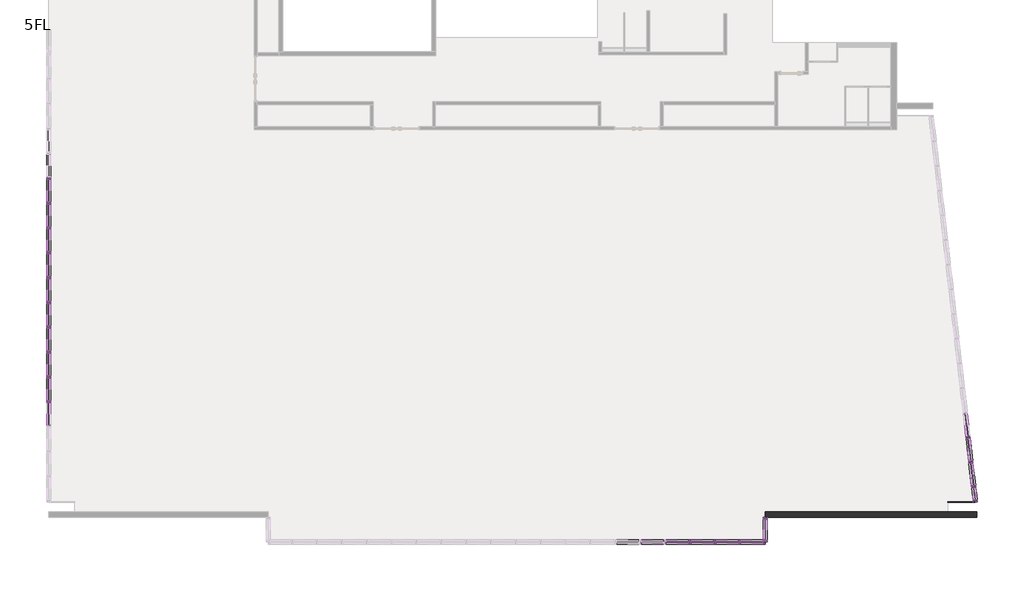
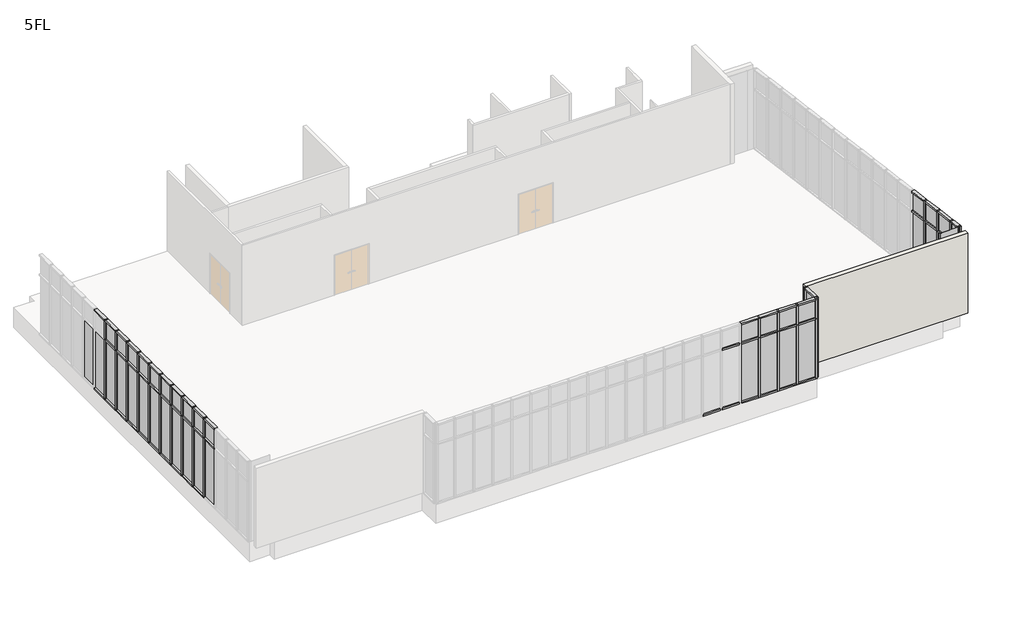
# One storey, part 2 of 4: 100 members, 42 plates, 1 wall.
"""IFC4 building model written with IfcOpenShell, lengths in millimetres."""

import ifcopenshell
import ifcopenshell.guid

model = None  # the IFC model being written
_history = None  # IfcOwnerHistory: only IFC2X3 demands one
_inside = {}  # id of a spatial element -> (the spatial element, [elements in it])
_under = {}  # id of a project, library or spatial element -> (it, [spatial elements below it])
_declared = {}  # id of a project -> (the project, [libraries it declares])
_typed = {}  # id of a type object -> (the type object, [elements of that type])
_made_of = {}  # id of a material, layer set ... -> (it, [elements and type objects made of it])


def new_model(schema):
    """Start an empty IFC model of exactly this schema.

    Asked for "IFC4X3", IfcOpenShell would pick the latest addendum, in which some entities
    have other attributes; the version numbers below select the first issue.
    IFC2X3 requires an IfcOwnerHistory on every rooted entity: one is made here for all.
    """
    global model, _history
    if schema == "IFC4X3":
        model = ifcopenshell.file(schema_version=(4, 3, 0, 0))
    else:
        model = ifcopenshell.file(schema=schema)
    _inside.clear()
    _under.clear()
    _declared.clear()
    _typed.clear()
    _made_of.clear()
    _history = None
    if model.schema == "IFC2X3":
        org = make("IfcOrganization", Name="unknown")
        user = make(
            "IfcPersonAndOrganization",
            ThePerson=make("IfcPerson", FamilyName="unknown"),
            TheOrganization=org,
        )
        app = make(
            "IfcApplication",
            ApplicationDeveloper=org,
            Version="unknown",
            ApplicationFullName="unknown",
            ApplicationIdentifier="unknown",
        )
        _history = make(
            "IfcOwnerHistory",
            OwningUser=user,
            OwningApplication=app,
            ChangeAction="ADDED",
            CreationDate=0,
        )
    return model


def make(cls, **values):
    """One entity of the class cls with the attributes given. An attribute that is None is left unset."""
    return model.create_entity(
        cls, **{name: value for name, value in values.items() if value is not None}
    )


def rooted(cls, **values):
    """An entity with a GlobalId (a new one), such as an element, a storey or a relation."""
    return make(cls, GlobalId=ifcopenshell.guid.new(), OwnerHistory=_history, **values)


def si_unit(unit_type, name, prefix=None):
    """IfcSIUnit, for example si_unit("LENGTHUNIT", "METRE", prefix="MILLI")."""
    return make("IfcSIUnit", UnitType=unit_type, Prefix=prefix, Name=name)


def assignment(units):
    """IfcUnitAssignment: the units of a project."""
    return None if units is None else make("IfcUnitAssignment", Units=units)


def point(xyz):
    """IfcCartesianPoint."""
    return None if xyz is None else make("IfcCartesianPoint", Coordinates=xyz)


def direction(xyz):
    """IfcDirection."""
    return None if xyz is None else make("IfcDirection", DirectionRatios=xyz)


def frame(location, z_axis=None, x_axis=None):
    """IfcAxis2Placement3D, a coordinate frame: its origin and axes. An axis left out is left unset."""
    return make(
        "IfcAxis2Placement3D",
        Location=point(location),
        Axis=direction(z_axis),
        RefDirection=direction(x_axis),
    )


def origin():
    """The frame at (0, 0, 0) with its axes left unset."""
    return frame((0.0, 0.0, 0.0))


def origin_with_axes():
    """The frame at (0, 0, 0) with the z axis (0, 0, 1) and the x axis (1, 0, 0) written out."""
    return frame((0.0, 0.0, 0.0), z_axis=(0.0, 0.0, 1.0), x_axis=(1.0, 0.0, 0.0))


def place(relative_to, where):
    """IfcLocalPlacement: puts the frame where relative to a parent placement (None: the world)."""
    return make(
        "IfcLocalPlacement", PlacementRelTo=relative_to, RelativePlacement=where
    )


def context(
    kind, dimensions, precision=None, world=None, true_north=None, identifier=None
):
    """IfcGeometricRepresentationContext, for example the 3D "Model" context."""
    return make(
        "IfcGeometricRepresentationContext",
        ContextIdentifier=identifier,
        ContextType=kind,
        CoordinateSpaceDimension=dimensions,
        Precision=precision,
        WorldCoordinateSystem=world,
        TrueNorth=true_north,
    )


def project(units=None, contexts=None):
    """IfcProject with its units and contexts."""
    return rooted(
        "IfcProject",
        Name="project",
        RepresentationContexts=contexts,
        UnitsInContext=assignment(units),
    )


def spatial(cls, under=None, at=None, **own):
    """A site, building, storey or space (cls), placed at a placement, below another one or the project."""
    s = rooted(cls, ObjectPlacement=at, **own)
    if under is not None:
        _under.setdefault(under.id(), (under, []))[1].append(s)
    return s


def polyline(points):
    """IfcPolyline through the points."""
    return make("IfcPolyline", Points=[point(p) for p in points])


def outline(outer, holes=None, kind="AREA"):
    """IfcArbitraryClosedProfileDef: a profile drawn as a closed curve; with holes, ...WithVoids."""
    if holes is None:
        return make("IfcArbitraryClosedProfileDef", ProfileType=kind, OuterCurve=outer)
    return make(
        "IfcArbitraryProfileDefWithVoids",
        ProfileType=kind,
        OuterCurve=outer,
        InnerCurves=holes,
    )


def extrude(swept, where, along, depth):
    """IfcExtrudedAreaSolid: the profile swept, set in the frame where, extruded along a direction by depth."""
    return make(
        "IfcExtrudedAreaSolid",
        SweptArea=swept,
        Position=where,
        ExtrudedDirection=direction(along),
        Depth=depth,
    )


def shape(context_of_items, identifier, shape_type, items):
    """IfcShapeRepresentation: the items that make up one representation, for example the "Body"."""
    return make(
        "IfcShapeRepresentation",
        ContextOfItems=context_of_items,
        RepresentationIdentifier=identifier,
        RepresentationType=shape_type,
        Items=items,
    )


def source(mapping_origin, context_of_items, identifier, shape_type, items):
    """IfcRepresentationMap: a shape defined once, which mapped items show again and again."""
    return make(
        "IfcRepresentationMap",
        MappingOrigin=mapping_origin,
        MappedRepresentation=shape(context_of_items, identifier, shape_type, items),
    )


def transform(
    local_origin,
    x_axis=None,
    y_axis=None,
    z_axis=None,
    scale=None,
    scale2=None,
    scale3=None,
    uniform=True,
):
    """IfcCartesianTransformationOperator3D, or its non-uniform kind. x_axis, y_axis, z_axis: its Axis1, 2, 3."""
    if uniform:
        return make(
            "IfcCartesianTransformationOperator3D",
            Axis1=direction(x_axis),
            Axis2=direction(y_axis),
            LocalOrigin=point(local_origin),
            Scale=scale,
            Axis3=direction(z_axis),
        )
    return make(
        "IfcCartesianTransformationOperator3DnonUniform",
        Axis1=direction(x_axis),
        Axis2=direction(y_axis),
        LocalOrigin=point(local_origin),
        Scale=scale,
        Axis3=direction(z_axis),
        Scale2=scale2,
        Scale3=scale3,
    )


def mapped(mapping_source, mapping_target):
    """IfcMappedItem: shows the shape of a source again, moved by a transform."""
    return make(
        "IfcMappedItem", MappingSource=mapping_source, MappingTarget=mapping_target
    )


def made_of(thing, what):
    """Note that an element or type object is made of a material, layer set ...; save() writes the relation."""
    if what is not None:
        _made_of.setdefault(what.id(), (what, []))[1].append(thing)
    return thing


def element(
    cls,
    number,
    at=None,
    inside=None,
    cuts=None,
    type_object=None,
    material=None,
    context=None,
    identifier="Body",
    shape_type=None,
    held_by="IfcProductDefinitionShape",
    body=None,
    shapes=None,
    **own,
):
    """One element of the class cls, such as IfcWall. Its Tag is "e" and its number.

    at: its placement. inside: the storey or other place that contains it. cuts: it is an
    opening in that element (IfcRelVoidsElement). A single representation is given by context,
    identifier, shape_type and body (its items); several are given by shapes. held_by: the class
    of the entity that holds the representations. save() writes the other relations.
    """
    e = rooted(cls, Tag="e%d" % number, ObjectPlacement=at, **own)
    if body is not None:
        shapes = [shape(context, identifier, shape_type, body)]
    if shapes is not None:
        e.Representation = make(held_by, Representations=shapes)
    if inside is not None:
        _inside.setdefault(inside.id(), (inside, []))[1].append(e)
    if cuts is not None:
        rooted(
            "IfcRelVoidsElement", RelatingBuildingElement=cuts, RelatedOpeningElement=e
        )
    if type_object is not None:
        _typed.setdefault(type_object.id(), (type_object, []))[1].append(e)
    return made_of(e, material)


def aggregate(whole, parts):
    """IfcRelAggregates: a whole, such as a stair, and the parts it consists of."""
    return rooted("IfcRelAggregates", RelatingObject=whole, RelatedObjects=parts)


def save(model, path):
    """Write the relations noted so far, then the file.

    IfcRelAggregates (storeys below a building ...), IfcRelContainedInSpatialStructure (elements
    in a storey), IfcRelDefinesByType, IfcRelAssociatesMaterial and IfcRelDeclares: one each for
    every whole, place, type object, material and project.
    """
    for whole, parts in _under.values():
        aggregate(whole, parts)
    for where, things in _inside.values():
        rooted(
            "IfcRelContainedInSpatialStructure",
            RelatedElements=things,
            RelatingStructure=where,
        )
    for kind, things in _typed.values():
        rooted("IfcRelDefinesByType", RelatedObjects=things, RelatingType=kind)
    for what, things in _made_of.values():
        rooted("IfcRelAssociatesMaterial", RelatedObjects=things, RelatingMaterial=what)
    for by, libraries in _declared.values():
        rooted("IfcRelDeclares", RelatingContext=by, RelatedDefinitions=libraries)
    model.write(path)


def member_70x150_cdd4dcf9(model_context):
    return source(origin(), model_context, "Body", "SweptSolid", [
        extrude(outline(polyline([(35.0, 75.0), (35.0, -75.0), (-35.0, -75.0), (-35.0, 75.0), (35.0, 75.0)])), frame((0.0, 0.0, -3000.0), z_axis=(0.0, 0.0, 1.0), x_axis=(1.0, 0.0, 0.0)), (0.0, 0.0, 1.0), 3000.0),
    ])


def member_70x150_9a135ce4(model_context):
    return source(origin(), model_context, "Body", "SweptSolid", [
        extrude(outline(polyline([(0.0, 75.0), (0.0, -75.0), (-70.0, -75.0), (-70.0, 75.0), (0.0, 75.0)])), frame((0.0, 0.0, -760.0), z_axis=(0.0, 0.0, 1.0), x_axis=(1.0, 0.0, 0.0)), (0.0, 0.0, 1.0), 760.0),
    ])


def member_70x150_66cf63de(model_context):
    return source(origin(), model_context, "Body", "SweptSolid", [
        extrude(outline(polyline([(0.0, 75.0), (0.0, -75.0), (-70.0, -75.0), (-70.0, 75.0), (0.0, 75.0)])), frame((0.0, 0.0, -830.0), z_axis=(0.0, 0.0, 1.0), x_axis=(1.0, 0.0, 0.0)), (0.0, 0.0, 1.0), 830.0),
    ])


def member_70x150_26475b18(model_context):
    return source(origin(), model_context, "Body", "SweptSolid", [
        extrude(outline(polyline([(35.0, 75.0), (35.0, -75.0), (-35.0, -75.0), (-35.0, 75.0), (35.0, 75.0)])), frame((0.0, 0.0, -1000.0), z_axis=(0.0, 0.0, 1.0), x_axis=(1.0, 0.0, 0.0)), (0.0, 0.0, 1.0), 1000.0),
    ])


def member_70x150_ad4265bc(model_context):
    return source(origin(), model_context, "Body", "SweptSolid", [
        extrude(outline(polyline([(35.0, 75.0), (35.0, -75.0), (-35.0, -75.0), (-35.0, 75.0), (35.0, 75.0)])), frame((0.0, 0.0, -830.0), z_axis=(0.0, 0.0, 1.0), x_axis=(1.0, 0.0, 0.0)), (0.0, 0.0, 1.0), 830.0),
    ])


def member_70x150_e0eddb57(model_context):
    return source(origin(), model_context, "Body", "SweptSolid", [
        extrude(outline(polyline([(35.0, 75.0), (35.0, -75.0), (-35.0, -75.0), (-35.0, 75.0), (35.0, 75.0)])), frame((0.0, 0.0, -760.0), z_axis=(0.0, 0.0, 1.0), x_axis=(1.0, 0.0, 0.0)), (0.0, 0.0, 1.0), 760.0),
    ])


def member_70x150_1b280ac3(model_context):
    return source(origin(), model_context, "Body", "SweptSolid", [
        extrude(outline(polyline([(0.0, 75.0), (0.0, -75.0), (-70.0, -75.0), (-70.0, 75.0), (0.0, 75.0)])), frame((0.0, 0.0, -3000.0), z_axis=(0.0, 0.0, 1.0), x_axis=(1.0, 0.0, 0.0)), (0.0, 0.0, 1.0), 3000.0),
    ])


def member_70x150_76429c73(model_context):
    return source(origin(), model_context, "Body", "SweptSolid", [
        extrude(outline(polyline([(0.0, 75.0), (0.0, -75.0), (-70.0, -75.0), (-70.0, 75.0), (0.0, 75.0)])), frame((0.0, 0.0, -1000.0), z_axis=(0.0, 0.0, 1.0), x_axis=(1.0, 0.0, 0.0)), (0.0, 0.0, 1.0), 1000.0),
    ])


def member_70x150_98b0aed0(model_context):
    return source(origin(), model_context, "Body", "SweptSolid", [
        extrude(outline(polyline([(0.0, 75.0), (0.0, -75.0), (-70.0, -75.0), (-70.0, 75.0), (0.0, 75.0)])), frame((0.0, 0.0, -451.131963), z_axis=(0.0, 0.0, 1.0), x_axis=(1.0, 0.0, 0.0)), (0.0, 0.0, 1.0), 451.131963),
    ])


def member_70x150_87b27eb4(model_context):
    return source(origin(), model_context, "Body", "SweptSolid", [
        extrude(outline(polyline([(35.0, 75.0), (35.0, -75.0), (-35.0, -75.0), (-35.0, 75.0), (35.0, 75.0)])), frame((0.0, 0.0, -451.131963), z_axis=(0.0, 0.0, 1.0), x_axis=(1.0, 0.0, 0.0)), (0.0, 0.0, 1.0), 451.131963),
    ])


def plate_d1366ea1(model_context):
    return source(origin(), model_context, "Body", "SweptSolid", [
        extrude(outline(polyline([(450.0, -5.0), (-450.0, -5.0), (-450.0, 5.0), (450.0, 5.0), (450.0, -5.0)])), origin_with_axes(), (0.0, 0.0, 1.0), 4000.0),
    ])


def plate_5a60b334(model_context):
    return source(origin(), model_context, "Body", "SweptSolid", [
        extrude(outline(polyline([(53.254713, -5.0), (-53.254713, -5.0), (-53.254713, 5.0), (53.254713, 5.0), (53.254713, -5.0)])), origin_with_axes(), (0.0, 0.0, 1.0), 4000.0),
    ])


def plate_28587fd3(model_context):
    return source(origin(), model_context, "Body", "SweptSolid", [
        extrude(outline(polyline([(415.0, -5.0), (-415.0, -5.0), (-415.0, 5.0), (415.0, 5.0), (415.0, -5.0)])), origin_with_axes(), (0.0, 0.0, 1.0), 2895.0),
    ])


def plate_4b01b467(model_context):
    return source(origin(), model_context, "Body", "SweptSolid", [
        extrude(outline(polyline([(380.0, -5.0), (-380.0, -5.0), (-380.0, 5.0), (380.0, 5.0), (380.0, -5.0)])), origin_with_axes(), (0.0, 0.0, 1.0), 2895.0),
    ])


def plate_396bcf3c(model_context):
    return source(origin(), model_context, "Body", "SweptSolid", [
        extrude(outline(polyline([(415.0, -5.0), (-415.0, -5.0), (-415.0, 5.0), (415.0, 5.0), (415.0, -5.0)])), origin_with_axes(), (0.0, 0.0, 1.0), 895.0),
    ])


def plate_83f08a3e(model_context):
    return source(origin(), model_context, "Body", "SweptSolid", [
        extrude(outline(polyline([(380.0, -5.0), (-380.0, -5.0), (-380.0, 5.0), (380.0, 5.0), (380.0, -5.0)])), origin_with_axes(), (0.0, 0.0, 1.0), 895.0),
    ])


def plate_de90d239(model_context):
    return source(origin(), model_context, "Body", "SweptSolid", [
        extrude(outline(polyline([(225.5659815, -5.0), (-225.5659815, -5.0), (-225.5659815, 5.0), (225.5659815, 5.0), (225.5659815, -5.0)])), origin_with_axes(), (0.0, 0.0, 1.0), 2895.0),
    ])


def plate_46ceffe4(model_context):
    return source(origin(), model_context, "Body", "SweptSolid", [
        extrude(outline(polyline([(225.5659815, -5.0), (-225.5659815, -5.0), (-225.5659815, 5.0), (225.5659815, 5.0), (225.5659815, -5.0)])), origin_with_axes(), (0.0, 0.0, 1.0), 895.0),
    ])


model = new_model("IFC4")

# Units and contexts
model_context = context("Model", 3, world=origin())
ifc_project = project(units=[si_unit("LENGTHUNIT", "METRE", prefix="MILLI")], contexts=[model_context])

# Site, building, storey
site = spatial("IfcSite", under=ifc_project)
building = spatial("IfcBuilding", under=site)
storey = spatial("IfcBuildingStorey", under=building, Name="5FL", Elevation=16600.0)

# Members
placement = place(None, origin())
member_70x150_shape = member_70x150_cdd4dcf9(model_context)
element("IfcMember", 1, ObjectType="70x150", at=placement, inside=storey, context=model_context, shape_type="MappedRepresentation", body=[
    mapped(member_70x150_shape, transform((-5230.9784025, -4550.3131013, 16600.0), x_axis=(-1.0, 0.0, 0.0), y_axis=(0.0, 1.0, 0.0), z_axis=(0.0, 0.0, -1.0))),
])
element("IfcMember", 2, ObjectType="70x150", at=placement, inside=storey, context=model_context, shape_type="MappedRepresentation", body=[
    mapped(member_70x150_shape, transform((-4330.9784025, -4550.3131013, 16600.0), x_axis=(-1.0, 0.0, 0.0), y_axis=(0.0, 1.0, 0.0), z_axis=(0.0, 0.0, -1.0))),
])
element("IfcMember", 3, ObjectType="70x150", at=placement, inside=storey, context=model_context, shape_type="MappedRepresentation", body=[
    mapped(member_70x150_shape, transform((-6130.9784025, -4550.3131013, 16600.0), x_axis=(-1.0, 0.0, 0.0), y_axis=(0.0, 1.0, 0.0), z_axis=(0.0, 0.0, -1.0))),
])
element("IfcMember", 4, ObjectType="70x150", at=placement, inside=storey, context=model_context, shape_type="MappedRepresentation", body=[
    mapped(member_70x150_shape, transform((4147.3841348, -2547.7778257, 16600.0), x_axis=(0.11354659116072999, -0.9935326726564045, 0.0), y_axis=(-0.9935326726564045, -0.11354659116072999, 0.0), z_axis=(0.0, 0.0, -1.0))),
])
element("IfcMember", 5, ObjectType="70x150", at=placement, inside=storey, context=model_context, shape_type="MappedRepresentation", body=[
    mapped(member_70x150_shape, transform((4045.1922027, -1653.5984203, 16600.0), x_axis=(0.11354659116072999, -0.9935326726564045, 0.0), y_axis=(-0.9935326726564045, -0.11354659116072999, 0.0), z_axis=(0.0, 0.0, -1.0))),
])
element("IfcMember", 6, ObjectType="70x150", at=placement, inside=storey, context=model_context, shape_type="MappedRepresentation", body=[
    mapped(member_70x150_shape, transform((3943.0002707, -759.4190149, 16600.0), x_axis=(0.11354659116072999, -0.9935326726564045, 0.0), y_axis=(-0.9935326726564045, -0.11354659116072999, 0.0), z_axis=(0.0, 0.0, -1.0))),
])
element("IfcMember", 7, ObjectType="70x150", at=placement, inside=storey, context=model_context, shape_type="MappedRepresentation", body=[
    mapped(member_70x150_shape, transform((-29345.9784025, 8634.6868987, 16600.0), x_axis=(0.0, 1.0, 0.0), y_axis=(1.0, 0.0, 0.0), z_axis=(0.0, 0.0, -1.0))),
])
element("IfcMember", 8, ObjectType="70x150", at=placement, inside=storey, context=model_context, shape_type="MappedRepresentation", body=[
    mapped(member_70x150_shape, transform((-29345.9784025, 7734.6868987, 16600.0), x_axis=(0.0, 1.0, 0.0), y_axis=(1.0, 0.0, 0.0), z_axis=(0.0, 0.0, -1.0))),
])
element("IfcMember", 9, ObjectType="70x150", at=placement, inside=storey, context=model_context, shape_type="MappedRepresentation", body=[
    mapped(member_70x150_shape, transform((-29345.9784025, 6834.6868987, 16600.0), x_axis=(0.0, 1.0, 0.0), y_axis=(1.0, 0.0, 0.0), z_axis=(0.0, 0.0, -1.0))),
])
element("IfcMember", 10, ObjectType="70x150", at=placement, inside=storey, context=model_context, shape_type="MappedRepresentation", body=[
    mapped(member_70x150_shape, transform((-29345.9784025, 5934.6868987, 16600.0), x_axis=(0.0, 1.0, 0.0), y_axis=(1.0, 0.0, 0.0), z_axis=(0.0, 0.0, -1.0))),
])
element("IfcMember", 11, ObjectType="70x150", at=placement, inside=storey, context=model_context, shape_type="MappedRepresentation", body=[
    mapped(member_70x150_shape, transform((-29345.9784025, 5034.6868987, 16600.0), x_axis=(0.0, 1.0, 0.0), y_axis=(1.0, 0.0, 0.0), z_axis=(0.0, 0.0, -1.0))),
])
element("IfcMember", 12, ObjectType="70x150", at=placement, inside=storey, context=model_context, shape_type="MappedRepresentation", body=[
    mapped(member_70x150_shape, transform((-29345.9784025, 4134.6868987, 16600.0), x_axis=(0.0, 1.0, 0.0), y_axis=(1.0, 0.0, 0.0), z_axis=(0.0, 0.0, -1.0))),
])
element("IfcMember", 13, ObjectType="70x150", at=placement, inside=storey, context=model_context, shape_type="MappedRepresentation", body=[
    mapped(member_70x150_shape, transform((-29345.9784025, 3234.6868987, 16600.0), x_axis=(0.0, 1.0, 0.0), y_axis=(1.0, 0.0, 0.0), z_axis=(0.0, 0.0, -1.0))),
])
element("IfcMember", 14, ObjectType="70x150", at=placement, inside=storey, context=model_context, shape_type="MappedRepresentation", body=[
    mapped(member_70x150_shape, transform((-29345.9784025, 2334.6868987, 16600.0), x_axis=(0.0, 1.0, 0.0), y_axis=(1.0, 0.0, 0.0), z_axis=(0.0, 0.0, -1.0))),
])
element("IfcMember", 15, ObjectType="70x150", at=placement, inside=storey, context=model_context, shape_type="MappedRepresentation", body=[
    mapped(member_70x150_shape, transform((-29345.9784025, 1434.6868987, 16600.0), x_axis=(0.0, 1.0, 0.0), y_axis=(1.0, 0.0, 0.0), z_axis=(0.0, 0.0, -1.0))),
])
element("IfcMember", 16, ObjectType="70x150", at=placement, inside=storey, context=model_context, shape_type="MappedRepresentation", body=[
    mapped(member_70x150_shape, transform((-29345.9784025, 534.6868987, 16600.0), x_axis=(0.0, 1.0, 0.0), y_axis=(1.0, 0.0, 0.0), z_axis=(0.0, 0.0, -1.0))),
])
member_70x150_2_shape = member_70x150_9a135ce4(model_context)
element("IfcMember", 17, ObjectType="70x150", at=placement, inside=storey, context=model_context, shape_type="MappedRepresentation", body=[
    mapped(member_70x150_2_shape, transform((-3395.9784025, -4480.3131013, 20600.0), x_axis=(0.0, 0.0, 1.0), y_axis=(-1.0, 0.0, 0.0), z_axis=(0.0, -1.0, 0.0))),
])
member_70x150_3_shape = member_70x150_66cf63de(model_context)
element("IfcMember", 18, ObjectType="70x150", at=placement, inside=storey, context=model_context, shape_type="MappedRepresentation", body=[
    mapped(member_70x150_3_shape, transform((-3465.9784025, -4550.3131013, 16600.0), x_axis=(0.0, 0.0, -1.0), y_axis=(0.0, 1.0, 0.0), z_axis=(1.0, 0.0, 0.0))),
])
element("IfcMember", 19, ObjectType="70x150", at=placement, inside=storey, context=model_context, shape_type="MappedRepresentation", body=[
    mapped(member_70x150_3_shape, transform((-7065.9784025, -4550.3131013, 16600.0), x_axis=(0.0, 0.0, -1.0), y_axis=(0.0, 1.0, 0.0), z_axis=(1.0, 0.0, 0.0))),
])
element("IfcMember", 20, ObjectType="70x150", at=placement, inside=storey, context=model_context, shape_type="MappedRepresentation", body=[
    mapped(member_70x150_3_shape, transform((-7965.9784025, -4550.3131013, 16600.0), x_axis=(0.0, 0.0, -1.0), y_axis=(0.0, 1.0, 0.0), z_axis=(1.0, 0.0, 0.0))),
])
element("IfcMember", 21, ObjectType="70x150", at=placement, inside=storey, context=model_context, shape_type="MappedRepresentation", body=[
    mapped(member_70x150_3_shape, transform((-4365.9784025, -4550.3131013, 16600.0), x_axis=(0.0, 0.0, -1.0), y_axis=(0.0, 1.0, 0.0), z_axis=(1.0, 0.0, 0.0))),
])
element("IfcMember", 22, ObjectType="70x150", at=placement, inside=storey, context=model_context, shape_type="MappedRepresentation", body=[
    mapped(member_70x150_3_shape, transform((-6165.9784025, -4550.3131013, 16600.0), x_axis=(0.0, 0.0, -1.0), y_axis=(0.0, 1.0, 0.0), z_axis=(1.0, 0.0, 0.0))),
])
element("IfcMember", 23, ObjectType="70x150", at=placement, inside=storey, context=model_context, shape_type="MappedRepresentation", body=[
    mapped(member_70x150_3_shape, transform((-5265.9784025, -4550.3131013, 16600.0), x_axis=(0.0, 0.0, -1.0), y_axis=(0.0, 1.0, 0.0), z_axis=(1.0, 0.0, 0.0))),
])
element("IfcMember", 24, ObjectType="70x150", at=placement, inside=storey, context=model_context, shape_type="MappedRepresentation", body=[
    mapped(member_70x150_3_shape, transform((4049.1663334, -1688.3720639, 16600.0), x_axis=(0.0, 0.0, -1.0), y_axis=(-0.9935326726564044, -0.11354659116073008, 0.0), z_axis=(-0.11354659116073008, 0.9935326726564044, 0.0))),
])
element("IfcMember", 25, ObjectType="70x150", at=placement, inside=storey, context=model_context, shape_type="MappedRepresentation", body=[
    mapped(member_70x150_3_shape, transform((3946.9744014, -794.1926585, 16600.0), x_axis=(0.0, 0.0, -1.0), y_axis=(-0.9935326726564044, -0.1135465911607304, 0.0), z_axis=(-0.11354659116073039, 0.9935326726564043, 0.0))),
])
element("IfcMember", 26, ObjectType="70x150", at=placement, inside=storey, context=model_context, shape_type="MappedRepresentation", body=[
    mapped(member_70x150_3_shape, transform((-29345.9784025, 8669.6868987, 16600.0), x_axis=(0.0, 0.0, -1.0), y_axis=(1.0, 0.0, 0.0), z_axis=(0.0, -1.0, 0.0))),
])
element("IfcMember", 27, ObjectType="70x150", at=placement, inside=storey, context=model_context, shape_type="MappedRepresentation", body=[
    mapped(member_70x150_3_shape, transform((-29345.9784025, 7769.6868987, 16600.0), x_axis=(0.0, 0.0, -1.0), y_axis=(1.0, 0.0, 0.0), z_axis=(0.0, -1.0, 0.0))),
])
element("IfcMember", 28, ObjectType="70x150", at=placement, inside=storey, context=model_context, shape_type="MappedRepresentation", body=[
    mapped(member_70x150_3_shape, transform((-29345.9784025, 6869.6868987, 16600.0), x_axis=(0.0, 0.0, -1.0), y_axis=(1.0, 0.0, 0.0), z_axis=(0.0, -1.0, 0.0))),
])
element("IfcMember", 29, ObjectType="70x150", at=placement, inside=storey, context=model_context, shape_type="MappedRepresentation", body=[
    mapped(member_70x150_3_shape, transform((-29345.9784025, 5969.6868987, 16600.0), x_axis=(0.0, 0.0, -1.0), y_axis=(1.0, 0.0, 0.0), z_axis=(0.0, -1.0, 0.0))),
])
element("IfcMember", 30, ObjectType="70x150", at=placement, inside=storey, context=model_context, shape_type="MappedRepresentation", body=[
    mapped(member_70x150_3_shape, transform((-29345.9784025, 5069.6868987, 16600.0), x_axis=(0.0, 0.0, -1.0), y_axis=(1.0, 0.0, 0.0), z_axis=(0.0, -1.0, 0.0))),
])
element("IfcMember", 31, ObjectType="70x150", at=placement, inside=storey, context=model_context, shape_type="MappedRepresentation", body=[
    mapped(member_70x150_3_shape, transform((-29345.9784025, 4169.6868987, 16600.0), x_axis=(0.0, 0.0, -1.0), y_axis=(1.0, 0.0, 0.0), z_axis=(0.0, -1.0, 0.0))),
])
element("IfcMember", 32, ObjectType="70x150", at=placement, inside=storey, context=model_context, shape_type="MappedRepresentation", body=[
    mapped(member_70x150_3_shape, transform((-29345.9784025, 3269.6868987, 16600.0), x_axis=(0.0, 0.0, -1.0), y_axis=(1.0, 0.0, 0.0), z_axis=(0.0, -1.0, 0.0))),
])
element("IfcMember", 33, ObjectType="70x150", at=placement, inside=storey, context=model_context, shape_type="MappedRepresentation", body=[
    mapped(member_70x150_3_shape, transform((-29345.9784025, 2369.6868987, 16600.0), x_axis=(0.0, 0.0, -1.0), y_axis=(1.0, 0.0, 0.0), z_axis=(0.0, -1.0, 0.0))),
])
element("IfcMember", 34, ObjectType="70x150", at=placement, inside=storey, context=model_context, shape_type="MappedRepresentation", body=[
    mapped(member_70x150_3_shape, transform((-29345.9784025, 1469.6868987, 16600.0), x_axis=(0.0, 0.0, -1.0), y_axis=(1.0, 0.0, 0.0), z_axis=(0.0, -1.0, 0.0))),
])
element("IfcMember", 35, ObjectType="70x150", at=placement, inside=storey, context=model_context, shape_type="MappedRepresentation", body=[
    mapped(member_70x150_3_shape, transform((-29345.9784025, 569.6868987, 16600.0), x_axis=(0.0, 0.0, -1.0), y_axis=(1.0, 0.0, 0.0), z_axis=(0.0, -1.0, 0.0))),
])
element("IfcMember", 36, ObjectType="70x150", at=placement, inside=storey, context=model_context, shape_type="MappedRepresentation", body=[
    mapped(member_70x150_3_shape, transform((-6995.9784025, -4550.3131013, 20600.0), x_axis=(0.0, 0.0, 1.0), y_axis=(0.0, 1.0, 0.0), z_axis=(-1.0, 0.0, 0.0))),
])
element("IfcMember", 37, ObjectType="70x150", at=placement, inside=storey, context=model_context, shape_type="MappedRepresentation", body=[
    mapped(member_70x150_3_shape, transform((-6095.9784025, -4550.3131013, 20600.0), x_axis=(0.0, 0.0, 1.0), y_axis=(0.0, 1.0, 0.0), z_axis=(-1.0, 0.0, 0.0))),
])
element("IfcMember", 38, ObjectType="70x150", at=placement, inside=storey, context=model_context, shape_type="MappedRepresentation", body=[
    mapped(member_70x150_3_shape, transform((-5195.9784025, -4550.3131013, 20600.0), x_axis=(0.0, 0.0, 1.0), y_axis=(0.0, 1.0, 0.0), z_axis=(-1.0, 0.0, 0.0))),
])
element("IfcMember", 39, ObjectType="70x150", at=placement, inside=storey, context=model_context, shape_type="MappedRepresentation", body=[
    mapped(member_70x150_3_shape, transform((-4295.9784025, -4550.3131013, 20600.0), x_axis=(0.0, 0.0, 1.0), y_axis=(0.0, 1.0, 0.0), z_axis=(-1.0, 0.0, 0.0))),
])
element("IfcMember", 40, ObjectType="70x150", at=placement, inside=storey, context=model_context, shape_type="MappedRepresentation", body=[
    mapped(member_70x150_3_shape, transform((4143.4100041, -2513.0041822, 20600.0), x_axis=(0.0, 0.0, 1.0), y_axis=(-0.9935326726564044, -0.11354659116073008, 0.0), z_axis=(0.11354659116073008, -0.9935326726564044, 0.0))),
])
element("IfcMember", 41, ObjectType="70x150", at=placement, inside=storey, context=model_context, shape_type="MappedRepresentation", body=[
    mapped(member_70x150_3_shape, transform((4041.2180721, -1618.8247768, 20600.0), x_axis=(0.0, 0.0, 1.0), y_axis=(-0.9935326726564044, -0.1135465911607304, 0.0), z_axis=(0.11354659116073039, -0.9935326726564043, 0.0))),
])
element("IfcMember", 42, ObjectType="70x150", at=placement, inside=storey, context=model_context, shape_type="MappedRepresentation", body=[
    mapped(member_70x150_3_shape, transform((3939.02614, -724.6453714, 20600.0), x_axis=(0.0, 0.0, 1.0), y_axis=(-0.9935326726564044, -0.11354659116072975, 0.0), z_axis=(0.11354659116072975, -0.9935326726564044, 0.0))),
])
element("IfcMember", 43, ObjectType="70x150", at=placement, inside=storey, context=model_context, shape_type="MappedRepresentation", body=[
    mapped(member_70x150_3_shape, transform((-29345.9784025, 9499.6868987, 20600.0), x_axis=(0.0, 0.0, 1.0), y_axis=(1.0, 0.0, 0.0), z_axis=(0.0, 1.0, 0.0))),
])
element("IfcMember", 44, ObjectType="70x150", at=placement, inside=storey, context=model_context, shape_type="MappedRepresentation", body=[
    mapped(member_70x150_3_shape, transform((-29345.9784025, 8599.6868987, 20600.0), x_axis=(0.0, 0.0, 1.0), y_axis=(1.0, 0.0, 0.0), z_axis=(0.0, 1.0, 0.0))),
])
element("IfcMember", 45, ObjectType="70x150", at=placement, inside=storey, context=model_context, shape_type="MappedRepresentation", body=[
    mapped(member_70x150_3_shape, transform((-29345.9784025, 7699.6868987, 20600.0), x_axis=(0.0, 0.0, 1.0), y_axis=(1.0, 0.0, 0.0), z_axis=(0.0, 1.0, 0.0))),
])
element("IfcMember", 46, ObjectType="70x150", at=placement, inside=storey, context=model_context, shape_type="MappedRepresentation", body=[
    mapped(member_70x150_3_shape, transform((-29345.9784025, 6799.6868987, 20600.0), x_axis=(0.0, 0.0, 1.0), y_axis=(1.0, 0.0, 0.0), z_axis=(0.0, 1.0, 0.0))),
])
element("IfcMember", 47, ObjectType="70x150", at=placement, inside=storey, context=model_context, shape_type="MappedRepresentation", body=[
    mapped(member_70x150_3_shape, transform((-29345.9784025, 5899.6868987, 20600.0), x_axis=(0.0, 0.0, 1.0), y_axis=(1.0, 0.0, 0.0), z_axis=(0.0, 1.0, 0.0))),
])
element("IfcMember", 48, ObjectType="70x150", at=placement, inside=storey, context=model_context, shape_type="MappedRepresentation", body=[
    mapped(member_70x150_3_shape, transform((-29345.9784025, 4999.6868987, 20600.0), x_axis=(0.0, 0.0, 1.0), y_axis=(1.0, 0.0, 0.0), z_axis=(0.0, 1.0, 0.0))),
])
element("IfcMember", 49, ObjectType="70x150", at=placement, inside=storey, context=model_context, shape_type="MappedRepresentation", body=[
    mapped(member_70x150_3_shape, transform((-29345.9784025, 4099.6868987, 20600.0), x_axis=(0.0, 0.0, 1.0), y_axis=(1.0, 0.0, 0.0), z_axis=(0.0, 1.0, 0.0))),
])
element("IfcMember", 50, ObjectType="70x150", at=placement, inside=storey, context=model_context, shape_type="MappedRepresentation", body=[
    mapped(member_70x150_3_shape, transform((-29345.9784025, 3199.6868987, 20600.0), x_axis=(0.0, 0.0, 1.0), y_axis=(1.0, 0.0, 0.0), z_axis=(0.0, 1.0, 0.0))),
])
element("IfcMember", 51, ObjectType="70x150", at=placement, inside=storey, context=model_context, shape_type="MappedRepresentation", body=[
    mapped(member_70x150_3_shape, transform((-29345.9784025, 2299.6868987, 20600.0), x_axis=(0.0, 0.0, 1.0), y_axis=(1.0, 0.0, 0.0), z_axis=(0.0, 1.0, 0.0))),
])
element("IfcMember", 52, ObjectType="70x150", at=placement, inside=storey, context=model_context, shape_type="MappedRepresentation", body=[
    mapped(member_70x150_3_shape, transform((-29345.9784025, 1399.6868987, 20600.0), x_axis=(0.0, 0.0, 1.0), y_axis=(1.0, 0.0, 0.0), z_axis=(0.0, 1.0, 0.0))),
])
element("IfcMember", 53, ObjectType="70x150", at=placement, inside=storey, context=model_context, shape_type="MappedRepresentation", body=[
    mapped(member_70x150_3_shape, transform((-29345.9784025, 499.6868987, 20600.0), x_axis=(0.0, 0.0, 1.0), y_axis=(1.0, 0.0, 0.0), z_axis=(0.0, 1.0, 0.0))),
])
element("IfcMember", 54, ObjectType="70x150", at=placement, inside=storey, context=model_context, shape_type="MappedRepresentation", body=[
    mapped(member_70x150_2_shape, transform((-3395.9784025, -3720.3131013, 16600.0), x_axis=(0.0, 0.0, -1.0), y_axis=(-1.0, 0.0, 0.0), z_axis=(0.0, 1.0, 0.0))),
])
member_70x150_4_shape = member_70x150_26475b18(model_context)
element("IfcMember", 55, ObjectType="70x150", at=placement, inside=storey, context=model_context, shape_type="MappedRepresentation", body=[
    mapped(member_70x150_4_shape, transform((-6130.9784025, -4550.3131013, 19600.0), x_axis=(-1.0, 0.0, 0.0), y_axis=(0.0, 1.0, 0.0), z_axis=(0.0, 0.0, -1.0))),
])
element("IfcMember", 56, ObjectType="70x150", at=placement, inside=storey, context=model_context, shape_type="MappedRepresentation", body=[
    mapped(member_70x150_4_shape, transform((-5230.9784025, -4550.3131013, 19600.0), x_axis=(-1.0, 0.0, 0.0), y_axis=(0.0, 1.0, 0.0), z_axis=(0.0, 0.0, -1.0))),
])
element("IfcMember", 57, ObjectType="70x150", at=placement, inside=storey, context=model_context, shape_type="MappedRepresentation", body=[
    mapped(member_70x150_4_shape, transform((-4330.9784025, -4550.3131013, 19600.0), x_axis=(-1.0, 0.0, 0.0), y_axis=(0.0, 1.0, 0.0), z_axis=(0.0, 0.0, -1.0))),
])
element("IfcMember", 58, ObjectType="70x150", at=placement, inside=storey, context=model_context, shape_type="MappedRepresentation", body=[
    mapped(member_70x150_4_shape, transform((3943.0002707, -759.4190149, 19600.0), x_axis=(0.11354659116072999, -0.9935326726564045, 0.0), y_axis=(-0.9935326726564045, -0.11354659116072999, 0.0), z_axis=(0.0, 0.0, -1.0))),
])
element("IfcMember", 59, ObjectType="70x150", at=placement, inside=storey, context=model_context, shape_type="MappedRepresentation", body=[
    mapped(member_70x150_4_shape, transform((4045.1922027, -1653.5984203, 19600.0), x_axis=(0.11354659116072999, -0.9935326726564045, 0.0), y_axis=(-0.9935326726564045, -0.11354659116072999, 0.0), z_axis=(0.0, 0.0, -1.0))),
])
element("IfcMember", 60, ObjectType="70x150", at=placement, inside=storey, context=model_context, shape_type="MappedRepresentation", body=[
    mapped(member_70x150_4_shape, transform((4147.3841348, -2547.7778257, 19600.0), x_axis=(0.11354659116072999, -0.9935326726564045, 0.0), y_axis=(-0.9935326726564045, -0.11354659116072999, 0.0), z_axis=(0.0, 0.0, -1.0))),
])
element("IfcMember", 61, ObjectType="70x150", at=placement, inside=storey, context=model_context, shape_type="MappedRepresentation", body=[
    mapped(member_70x150_4_shape, transform((-29345.9784025, 8634.6868987, 19600.0), x_axis=(0.0, 1.0, 0.0), y_axis=(1.0, 0.0, 0.0), z_axis=(0.0, 0.0, -1.0))),
])
element("IfcMember", 62, ObjectType="70x150", at=placement, inside=storey, context=model_context, shape_type="MappedRepresentation", body=[
    mapped(member_70x150_4_shape, transform((-29345.9784025, 7734.6868987, 19600.0), x_axis=(0.0, 1.0, 0.0), y_axis=(1.0, 0.0, 0.0), z_axis=(0.0, 0.0, -1.0))),
])
element("IfcMember", 63, ObjectType="70x150", at=placement, inside=storey, context=model_context, shape_type="MappedRepresentation", body=[
    mapped(member_70x150_4_shape, transform((-29345.9784025, 6834.6868987, 19600.0), x_axis=(0.0, 1.0, 0.0), y_axis=(1.0, 0.0, 0.0), z_axis=(0.0, 0.0, -1.0))),
])
element("IfcMember", 64, ObjectType="70x150", at=placement, inside=storey, context=model_context, shape_type="MappedRepresentation", body=[
    mapped(member_70x150_4_shape, transform((-29345.9784025, 5934.6868987, 19600.0), x_axis=(0.0, 1.0, 0.0), y_axis=(1.0, 0.0, 0.0), z_axis=(0.0, 0.0, -1.0))),
])
element("IfcMember", 65, ObjectType="70x150", at=placement, inside=storey, context=model_context, shape_type="MappedRepresentation", body=[
    mapped(member_70x150_4_shape, transform((-29345.9784025, 5034.6868987, 19600.0), x_axis=(0.0, 1.0, 0.0), y_axis=(1.0, 0.0, 0.0), z_axis=(0.0, 0.0, -1.0))),
])
element("IfcMember", 66, ObjectType="70x150", at=placement, inside=storey, context=model_context, shape_type="MappedRepresentation", body=[
    mapped(member_70x150_4_shape, transform((-29345.9784025, 4134.6868987, 19600.0), x_axis=(0.0, 1.0, 0.0), y_axis=(1.0, 0.0, 0.0), z_axis=(0.0, 0.0, -1.0))),
])
element("IfcMember", 67, ObjectType="70x150", at=placement, inside=storey, context=model_context, shape_type="MappedRepresentation", body=[
    mapped(member_70x150_4_shape, transform((-29345.9784025, 3234.6868987, 19600.0), x_axis=(0.0, 1.0, 0.0), y_axis=(1.0, 0.0, 0.0), z_axis=(0.0, 0.0, -1.0))),
])
element("IfcMember", 68, ObjectType="70x150", at=placement, inside=storey, context=model_context, shape_type="MappedRepresentation", body=[
    mapped(member_70x150_4_shape, transform((-29345.9784025, 2334.6868987, 19600.0), x_axis=(0.0, 1.0, 0.0), y_axis=(1.0, 0.0, 0.0), z_axis=(0.0, 0.0, -1.0))),
])
element("IfcMember", 69, ObjectType="70x150", at=placement, inside=storey, context=model_context, shape_type="MappedRepresentation", body=[
    mapped(member_70x150_4_shape, transform((-29345.9784025, 1434.6868987, 19600.0), x_axis=(0.0, 1.0, 0.0), y_axis=(1.0, 0.0, 0.0), z_axis=(0.0, 0.0, -1.0))),
])
element("IfcMember", 70, ObjectType="70x150", at=placement, inside=storey, context=model_context, shape_type="MappedRepresentation", body=[
    mapped(member_70x150_4_shape, transform((-29345.9784025, 534.6868987, 19600.0), x_axis=(0.0, 1.0, 0.0), y_axis=(1.0, 0.0, 0.0), z_axis=(0.0, 0.0, -1.0))),
])
member_70x150_5_shape = member_70x150_ad4265bc(model_context)
element("IfcMember", 71, ObjectType="70x150", at=placement, inside=storey, context=model_context, shape_type="MappedRepresentation", body=[
    mapped(member_70x150_5_shape, transform((-5195.9784025, -4550.3131013, 19600.0), x_axis=(0.0, 0.0, 1.0), y_axis=(0.0, 1.0, 0.0), z_axis=(-1.0, 0.0, 0.0))),
])
element("IfcMember", 72, ObjectType="70x150", at=placement, inside=storey, context=model_context, shape_type="MappedRepresentation", body=[
    mapped(member_70x150_5_shape, transform((-6995.9784025, -4550.3131013, 19600.0), x_axis=(0.0, 0.0, 1.0), y_axis=(0.0, 1.0, 0.0), z_axis=(-1.0, 0.0, 0.0))),
])
element("IfcMember", 73, ObjectType="70x150", at=placement, inside=storey, context=model_context, shape_type="MappedRepresentation", body=[
    mapped(member_70x150_5_shape, transform((-7895.9784025, -4550.3131013, 19600.0), x_axis=(0.0, 0.0, 1.0), y_axis=(0.0, 1.0, 0.0), z_axis=(-1.0, 0.0, 0.0))),
])
element("IfcMember", 74, ObjectType="70x150", at=placement, inside=storey, context=model_context, shape_type="MappedRepresentation", body=[
    mapped(member_70x150_5_shape, transform((-6095.9784025, -4550.3131013, 19600.0), x_axis=(0.0, 0.0, 1.0), y_axis=(0.0, 1.0, 0.0), z_axis=(-1.0, 0.0, 0.0))),
])
element("IfcMember", 75, ObjectType="70x150", at=placement, inside=storey, context=model_context, shape_type="MappedRepresentation", body=[
    mapped(member_70x150_5_shape, transform((-4295.9784025, -4550.3131013, 19600.0), x_axis=(0.0, 0.0, 1.0), y_axis=(0.0, 1.0, 0.0), z_axis=(-1.0, 0.0, 0.0))),
])
element("IfcMember", 76, ObjectType="70x150", at=placement, inside=storey, context=model_context, shape_type="MappedRepresentation", body=[
    mapped(member_70x150_5_shape, transform((4143.4100041, -2513.0041822, 19600.0), x_axis=(0.0, 0.0, 1.0), y_axis=(-0.9935326726564044, -0.11354659116073008, 0.0), z_axis=(0.11354659116073008, -0.9935326726564044, 0.0))),
])
element("IfcMember", 77, ObjectType="70x150", at=placement, inside=storey, context=model_context, shape_type="MappedRepresentation", body=[
    mapped(member_70x150_5_shape, transform((4041.2180721, -1618.8247768, 19600.0), x_axis=(0.0, 0.0, 1.0), y_axis=(-0.9935326726564044, -0.1135465911607304, 0.0), z_axis=(0.11354659116073039, -0.9935326726564043, 0.0))),
])
element("IfcMember", 78, ObjectType="70x150", at=placement, inside=storey, context=model_context, shape_type="MappedRepresentation", body=[
    mapped(member_70x150_5_shape, transform((3939.02614, -724.6453714, 19600.0), x_axis=(0.0, 0.0, 1.0), y_axis=(-0.9935326726564044, -0.11354659116072975, 0.0), z_axis=(0.11354659116072975, -0.9935326726564044, 0.0))),
])
element("IfcMember", 79, ObjectType="70x150", at=placement, inside=storey, context=model_context, shape_type="MappedRepresentation", body=[
    mapped(member_70x150_5_shape, transform((-29345.9784025, 2299.6868987, 19600.0), x_axis=(0.0, 0.0, 1.0), y_axis=(1.0, 0.0, 0.0), z_axis=(0.0, 1.0, 0.0))),
])
element("IfcMember", 80, ObjectType="70x150", at=placement, inside=storey, context=model_context, shape_type="MappedRepresentation", body=[
    mapped(member_70x150_5_shape, transform((-29345.9784025, 499.6868987, 19600.0), x_axis=(0.0, 0.0, 1.0), y_axis=(1.0, 0.0, 0.0), z_axis=(0.0, 1.0, 0.0))),
])
element("IfcMember", 81, ObjectType="70x150", at=placement, inside=storey, context=model_context, shape_type="MappedRepresentation", body=[
    mapped(member_70x150_5_shape, transform((-29345.9784025, 3199.6868987, 19600.0), x_axis=(0.0, 0.0, 1.0), y_axis=(1.0, 0.0, 0.0), z_axis=(0.0, 1.0, 0.0))),
])
element("IfcMember", 82, ObjectType="70x150", at=placement, inside=storey, context=model_context, shape_type="MappedRepresentation", body=[
    mapped(member_70x150_5_shape, transform((-29345.9784025, 5899.6868987, 19600.0), x_axis=(0.0, 0.0, 1.0), y_axis=(1.0, 0.0, 0.0), z_axis=(0.0, 1.0, 0.0))),
])
element("IfcMember", 83, ObjectType="70x150", at=placement, inside=storey, context=model_context, shape_type="MappedRepresentation", body=[
    mapped(member_70x150_5_shape, transform((-29345.9784025, 7699.6868987, 19600.0), x_axis=(0.0, 0.0, 1.0), y_axis=(1.0, 0.0, 0.0), z_axis=(0.0, 1.0, 0.0))),
])
element("IfcMember", 84, ObjectType="70x150", at=placement, inside=storey, context=model_context, shape_type="MappedRepresentation", body=[
    mapped(member_70x150_5_shape, transform((-29345.9784025, 4099.6868987, 19600.0), x_axis=(0.0, 0.0, 1.0), y_axis=(1.0, 0.0, 0.0), z_axis=(0.0, 1.0, 0.0))),
])
element("IfcMember", 85, ObjectType="70x150", at=placement, inside=storey, context=model_context, shape_type="MappedRepresentation", body=[
    mapped(member_70x150_5_shape, transform((-29345.9784025, 1399.6868987, 19600.0), x_axis=(0.0, 0.0, 1.0), y_axis=(1.0, 0.0, 0.0), z_axis=(0.0, 1.0, 0.0))),
])
element("IfcMember", 86, ObjectType="70x150", at=placement, inside=storey, context=model_context, shape_type="MappedRepresentation", body=[
    mapped(member_70x150_5_shape, transform((-29345.9784025, 8599.6868987, 19600.0), x_axis=(0.0, 0.0, 1.0), y_axis=(1.0, 0.0, 0.0), z_axis=(0.0, 1.0, 0.0))),
])
element("IfcMember", 87, ObjectType="70x150", at=placement, inside=storey, context=model_context, shape_type="MappedRepresentation", body=[
    mapped(member_70x150_5_shape, transform((-29345.9784025, 4999.6868987, 19600.0), x_axis=(0.0, 0.0, 1.0), y_axis=(1.0, 0.0, 0.0), z_axis=(0.0, 1.0, 0.0))),
])
element("IfcMember", 88, ObjectType="70x150", at=placement, inside=storey, context=model_context, shape_type="MappedRepresentation", body=[
    mapped(member_70x150_5_shape, transform((-29345.9784025, 6799.6868987, 19600.0), x_axis=(0.0, 0.0, 1.0), y_axis=(1.0, 0.0, 0.0), z_axis=(0.0, 1.0, 0.0))),
])
member_70x150_6_shape = member_70x150_e0eddb57(model_context)
element("IfcMember", 89, ObjectType="70x150", at=placement, inside=storey, context=model_context, shape_type="MappedRepresentation", body=[
    mapped(member_70x150_6_shape, transform((-3395.9784025, -4480.3131013, 19600.0), x_axis=(0.0, 0.0, 1.0), y_axis=(-1.0, 0.0, 0.0), z_axis=(0.0, -1.0, 0.0))),
])
member_70x150_7_shape = member_70x150_1b280ac3(model_context)
element("IfcMember", 90, ObjectType="70x150", at=placement, inside=storey, context=model_context, shape_type="MappedRepresentation", body=[
    mapped(member_70x150_7_shape, transform((4210.5310234, -3100.3131013, 16600.0), x_axis=(0.11354659116072999, -0.9935326726564045, 0.0), y_axis=(-0.9935326726564045, -0.11354659116072999, 0.0), z_axis=(0.0, 0.0, -1.0))),
])
element("IfcMember", 91, ObjectType="70x150", at=placement, inside=storey, context=model_context, shape_type="MappedRepresentation", body=[
    mapped(member_70x150_7_shape, transform((-3395.9784025, -4550.3131013, 16600.0), x_axis=(0.0, -1.0, 0.0), y_axis=(-1.0, 0.0, 0.0), z_axis=(0.0, 0.0, -1.0))),
])
member_70x150_8_shape = member_70x150_76429c73(model_context)
element("IfcMember", 92, ObjectType="70x150", at=placement, inside=storey, context=model_context, shape_type="MappedRepresentation", body=[
    mapped(member_70x150_8_shape, transform((-3395.9784025, -4550.3131013, 20600.0), x_axis=(1.0, 0.0, 0.0), y_axis=(0.0, 1.0, 0.0), z_axis=(0.0, 0.0, 1.0))),
])
element("IfcMember", 93, ObjectType="70x150", at=placement, inside=storey, context=model_context, shape_type="MappedRepresentation", body=[
    mapped(member_70x150_8_shape, transform((-3395.9784025, -3650.3131013, 20600.0), x_axis=(0.0, 1.0, 0.0), y_axis=(-1.0, 0.0, 0.0), z_axis=(0.0, 0.0, 1.0))),
])
element("IfcMember", 94, ObjectType="70x150", at=placement, inside=storey, context=model_context, shape_type="MappedRepresentation", body=[
    mapped(member_70x150_8_shape, transform((4210.5310234, -3100.3131013, 19600.0), x_axis=(0.11354659116072999, -0.9935326726564045, 0.0), y_axis=(-0.9935326726564045, -0.11354659116072999, 0.0), z_axis=(0.0, 0.0, -1.0))),
])
element("IfcMember", 95, ObjectType="70x150", at=placement, inside=storey, context=model_context, shape_type="MappedRepresentation", body=[
    mapped(member_70x150_8_shape, transform((-3395.9784025, -4550.3131013, 19600.0), x_axis=(0.0, -1.0, 0.0), y_axis=(-1.0, 0.0, 0.0), z_axis=(0.0, 0.0, -1.0))),
])
element("IfcMember", 96, ObjectType="70x150", at=placement, inside=storey, context=model_context, shape_type="MappedRepresentation", body=[
    mapped(member_70x150_7_shape, transform((-3395.9784025, -4550.3131013, 19600.0), x_axis=(1.0, 0.0, 0.0), y_axis=(0.0, 1.0, 0.0), z_axis=(0.0, 0.0, 1.0))),
])
element("IfcMember", 97, ObjectType="70x150", at=placement, inside=storey, context=model_context, shape_type="MappedRepresentation", body=[
    mapped(member_70x150_7_shape, transform((-3395.9784025, -3650.3131013, 19600.0), x_axis=(0.0, 1.0, 0.0), y_axis=(-1.0, 0.0, 0.0), z_axis=(0.0, 0.0, 1.0))),
])
member_70x150_9_shape = member_70x150_98b0aed0(model_context)
element("IfcMember", 98, ObjectType="70x150", at=placement, inside=storey, context=model_context, shape_type="MappedRepresentation", body=[
    mapped(member_70x150_9_shape, transform((4202.582762, -3030.7658142, 20600.0), x_axis=(0.0, 0.0, 1.0), y_axis=(-0.9935326726564045, -0.11354659116072856, 0.0), z_axis=(0.11354659116072856, -0.9935326726564045, 0.0))),
])
element("IfcMember", 99, ObjectType="70x150", at=placement, inside=storey, context=model_context, shape_type="MappedRepresentation", body=[
    mapped(member_70x150_9_shape, transform((4151.3582655, -2582.5514692, 16600.0), x_axis=(0.0, 0.0, -1.0), y_axis=(-0.9935326726564045, -0.11354659116072856, 0.0), z_axis=(-0.11354659116072856, 0.9935326726564045, 0.0))),
])
member_70x150_10_shape = member_70x150_87b27eb4(model_context)
element("IfcMember", 100, ObjectType="70x150", at=placement, inside=storey, context=model_context, shape_type="MappedRepresentation", body=[
    mapped(member_70x150_10_shape, transform((4202.582762, -3030.7658142, 19600.0), x_axis=(0.0, 0.0, 1.0), y_axis=(-0.9935326726564045, -0.11354659116072856, 0.0), z_axis=(0.11354659116072856, -0.9935326726564045, 0.0))),
])

# Plates
plate_shape = plate_d1366ea1(model_context)
element("IfcPlate", 101, at=placement, inside=storey, context=model_context, shape_type="MappedRepresentation", body=[
    mapped(plate_shape, transform((3760.5310234, -3100.3131013, 16600.0), x_axis=(-1.0, 0.0, 0.0), y_axis=(0.0, -1.0, 0.0), z_axis=(0.0, 0.0, 1.0))),
])
plate_2_shape = plate_5a60b334(model_context)
element("IfcPlate", 102, at=placement, inside=storey, context=model_context, shape_type="MappedRepresentation", body=[
    mapped(plate_2_shape, transform((3257.2763105, -3100.3131013, 16600.0), x_axis=(-1.0, 0.0, 0.0), y_axis=(0.0, -1.0, 0.0), z_axis=(0.0, 0.0, 1.0))),
])
plate_3_shape = plate_28587fd3(model_context)
element("IfcPlate", 103, at=placement, inside=storey, context=model_context, shape_type="MappedRepresentation", body=[
    mapped(plate_3_shape, transform((3891.9043047, -312.3293122, 16670.0), x_axis=(0.11354659116072999, -0.9935326726564045, 0.0), y_axis=(0.9935326726564045, 0.11354659116072999, 0.0), z_axis=(0.0, 0.0, 1.0))),
])
element("IfcPlate", 104, at=placement, inside=storey, context=model_context, shape_type="MappedRepresentation", body=[
    mapped(plate_3_shape, transform((3994.0962367, -1206.5087176, 16670.0), x_axis=(0.11354659116072999, -0.9935326726564045, 0.0), y_axis=(0.9935326726564045, 0.11354659116072999, 0.0), z_axis=(0.0, 0.0, 1.0))),
])
element("IfcPlate", 105, at=placement, inside=storey, context=model_context, shape_type="MappedRepresentation", body=[
    mapped(plate_3_shape, transform((4096.2881688, -2100.688123, 16670.0), x_axis=(0.11354659116072999, -0.9935326726564045, 0.0), y_axis=(0.9935326726564045, 0.11354659116072999, 0.0), z_axis=(0.0, 0.0, 1.0))),
])
element("IfcPlate", 106, at=placement, inside=storey, context=model_context, shape_type="MappedRepresentation", body=[
    mapped(plate_3_shape, transform((-29345.9784025, 84.6868987, 16670.0), x_axis=(0.0, 1.0, 0.0), y_axis=(-1.0, 0.0, 0.0), z_axis=(0.0, 0.0, 1.0))),
])
element("IfcPlate", 107, at=placement, inside=storey, context=model_context, shape_type="MappedRepresentation", body=[
    mapped(plate_3_shape, transform((-29345.9784025, 984.6868987, 16670.0), x_axis=(0.0, 1.0, 0.0), y_axis=(-1.0, 0.0, 0.0), z_axis=(0.0, 0.0, 1.0))),
])
element("IfcPlate", 108, at=placement, inside=storey, context=model_context, shape_type="MappedRepresentation", body=[
    mapped(plate_3_shape, transform((-29345.9784025, 1884.6868987, 16670.0), x_axis=(0.0, 1.0, 0.0), y_axis=(-1.0, 0.0, 0.0), z_axis=(0.0, 0.0, 1.0))),
])
element("IfcPlate", 109, at=placement, inside=storey, context=model_context, shape_type="MappedRepresentation", body=[
    mapped(plate_3_shape, transform((-29345.9784025, 2784.6868987, 16670.0), x_axis=(0.0, 1.0, 0.0), y_axis=(-1.0, 0.0, 0.0), z_axis=(0.0, 0.0, 1.0))),
])
element("IfcPlate", 110, at=placement, inside=storey, context=model_context, shape_type="MappedRepresentation", body=[
    mapped(plate_3_shape, transform((-29345.9784025, 3684.6868987, 16670.0), x_axis=(0.0, 1.0, 0.0), y_axis=(-1.0, 0.0, 0.0), z_axis=(0.0, 0.0, 1.0))),
])
element("IfcPlate", 111, at=placement, inside=storey, context=model_context, shape_type="MappedRepresentation", body=[
    mapped(plate_3_shape, transform((-29345.9784025, 4584.6868987, 16670.0), x_axis=(0.0, 1.0, 0.0), y_axis=(-1.0, 0.0, 0.0), z_axis=(0.0, 0.0, 1.0))),
])
element("IfcPlate", 112, at=placement, inside=storey, context=model_context, shape_type="MappedRepresentation", body=[
    mapped(plate_3_shape, transform((-29345.9784025, 5484.6868987, 16670.0), x_axis=(0.0, 1.0, 0.0), y_axis=(-1.0, 0.0, 0.0), z_axis=(0.0, 0.0, 1.0))),
])
element("IfcPlate", 113, at=placement, inside=storey, context=model_context, shape_type="MappedRepresentation", body=[
    mapped(plate_3_shape, transform((-29345.9784025, 6384.6868987, 16670.0), x_axis=(0.0, 1.0, 0.0), y_axis=(-1.0, 0.0, 0.0), z_axis=(0.0, 0.0, 1.0))),
])
element("IfcPlate", 114, at=placement, inside=storey, context=model_context, shape_type="MappedRepresentation", body=[
    mapped(plate_3_shape, transform((-29345.9784025, 7284.6868987, 16670.0), x_axis=(0.0, 1.0, 0.0), y_axis=(-1.0, 0.0, 0.0), z_axis=(0.0, 0.0, 1.0))),
])
element("IfcPlate", 115, at=placement, inside=storey, context=model_context, shape_type="MappedRepresentation", body=[
    mapped(plate_3_shape, transform((-29345.9784025, 8184.6868987, 16670.0), x_axis=(0.0, 1.0, 0.0), y_axis=(-1.0, 0.0, 0.0), z_axis=(0.0, 0.0, 1.0))),
])
element("IfcPlate", 116, at=placement, inside=storey, context=model_context, shape_type="MappedRepresentation", body=[
    mapped(plate_3_shape, transform((-29345.9784025, 9084.6868987, 16670.0), x_axis=(0.0, 1.0, 0.0), y_axis=(-1.0, 0.0, 0.0), z_axis=(0.0, 0.0, 1.0))),
])
element("IfcPlate", 117, at=placement, inside=storey, context=model_context, shape_type="MappedRepresentation", body=[
    mapped(plate_3_shape, transform((-29345.9784025, 9984.6868987, 16670.0), x_axis=(0.0, 1.0, 0.0), y_axis=(-1.0, 0.0, 0.0), z_axis=(0.0, 0.0, 1.0))),
])
element("IfcPlate", 118, at=placement, inside=storey, context=model_context, shape_type="MappedRepresentation", body=[
    mapped(plate_3_shape, transform((-3880.9784025, -4550.3131013, 16670.0), x_axis=(-1.0, 0.0, 0.0), y_axis=(0.0, -1.0, 0.0), z_axis=(0.0, 0.0, 1.0))),
])
element("IfcPlate", 119, at=placement, inside=storey, context=model_context, shape_type="MappedRepresentation", body=[
    mapped(plate_3_shape, transform((-4780.9784025, -4550.3131013, 16670.0), x_axis=(-1.0, 0.0, 0.0), y_axis=(0.0, -1.0, 0.0), z_axis=(0.0, 0.0, 1.0))),
])
element("IfcPlate", 120, at=placement, inside=storey, context=model_context, shape_type="MappedRepresentation", body=[
    mapped(plate_3_shape, transform((-5680.9784025, -4550.3131013, 16670.0), x_axis=(-1.0, 0.0, 0.0), y_axis=(0.0, -1.0, 0.0), z_axis=(0.0, 0.0, 1.0))),
])
element("IfcPlate", 121, at=placement, inside=storey, context=model_context, shape_type="MappedRepresentation", body=[
    mapped(plate_3_shape, transform((-6580.9784025, -4550.3131013, 16670.0), x_axis=(-1.0, 0.0, 0.0), y_axis=(0.0, -1.0, 0.0), z_axis=(0.0, 0.0, 1.0))),
])
plate_4_shape = plate_4b01b467(model_context)
element("IfcPlate", 122, at=placement, inside=storey, context=model_context, shape_type="MappedRepresentation", body=[
    mapped(plate_4_shape, transform((-3395.9784025, -4100.3131013, 16670.0), x_axis=(0.0, -1.0, 0.0), y_axis=(1.0, 0.0, 0.0), z_axis=(0.0, 0.0, 1.0))),
])
plate_5_shape = plate_396bcf3c(model_context)
element("IfcPlate", 123, at=placement, inside=storey, context=model_context, shape_type="MappedRepresentation", body=[
    mapped(plate_5_shape, transform((-3880.9784025, -4550.3131013, 19635.0), x_axis=(-1.0, 0.0, 0.0), y_axis=(0.0, -1.0, 0.0), z_axis=(0.0, 0.0, 1.0))),
])
element("IfcPlate", 124, at=placement, inside=storey, context=model_context, shape_type="MappedRepresentation", body=[
    mapped(plate_5_shape, transform((-4780.9784025, -4550.3131013, 19635.0), x_axis=(-1.0, 0.0, 0.0), y_axis=(0.0, -1.0, 0.0), z_axis=(0.0, 0.0, 1.0))),
])
element("IfcPlate", 125, at=placement, inside=storey, context=model_context, shape_type="MappedRepresentation", body=[
    mapped(plate_5_shape, transform((-5680.9784025, -4550.3131013, 19635.0), x_axis=(-1.0, 0.0, 0.0), y_axis=(0.0, -1.0, 0.0), z_axis=(0.0, 0.0, 1.0))),
])
element("IfcPlate", 126, at=placement, inside=storey, context=model_context, shape_type="MappedRepresentation", body=[
    mapped(plate_5_shape, transform((-6580.9784025, -4550.3131013, 19635.0), x_axis=(-1.0, 0.0, 0.0), y_axis=(0.0, -1.0, 0.0), z_axis=(0.0, 0.0, 1.0))),
])
element("IfcPlate", 127, at=placement, inside=storey, context=model_context, shape_type="MappedRepresentation", body=[
    mapped(plate_5_shape, transform((3891.9043047, -312.3293122, 19635.0), x_axis=(0.11354659116072999, -0.9935326726564045, 0.0), y_axis=(0.9935326726564045, 0.11354659116072999, 0.0), z_axis=(0.0, 0.0, 1.0))),
])
element("IfcPlate", 128, at=placement, inside=storey, context=model_context, shape_type="MappedRepresentation", body=[
    mapped(plate_5_shape, transform((3994.0962367, -1206.5087176, 19635.0), x_axis=(0.11354659116072999, -0.9935326726564045, 0.0), y_axis=(0.9935326726564045, 0.11354659116072999, 0.0), z_axis=(0.0, 0.0, 1.0))),
])
element("IfcPlate", 129, at=placement, inside=storey, context=model_context, shape_type="MappedRepresentation", body=[
    mapped(plate_5_shape, transform((4096.2881688, -2100.688123, 19635.0), x_axis=(0.11354659116072999, -0.9935326726564045, 0.0), y_axis=(0.9935326726564045, 0.11354659116072999, 0.0), z_axis=(0.0, 0.0, 1.0))),
])
element("IfcPlate", 130, at=placement, inside=storey, context=model_context, shape_type="MappedRepresentation", body=[
    mapped(plate_5_shape, transform((-29345.9784025, 84.6868987, 19635.0), x_axis=(0.0, 1.0, 0.0), y_axis=(-1.0, 0.0, 0.0), z_axis=(0.0, 0.0, 1.0))),
])
element("IfcPlate", 131, at=placement, inside=storey, context=model_context, shape_type="MappedRepresentation", body=[
    mapped(plate_5_shape, transform((-29345.9784025, 984.6868987, 19635.0), x_axis=(0.0, 1.0, 0.0), y_axis=(-1.0, 0.0, 0.0), z_axis=(0.0, 0.0, 1.0))),
])
element("IfcPlate", 132, at=placement, inside=storey, context=model_context, shape_type="MappedRepresentation", body=[
    mapped(plate_5_shape, transform((-29345.9784025, 1884.6868987, 19635.0), x_axis=(0.0, 1.0, 0.0), y_axis=(-1.0, 0.0, 0.0), z_axis=(0.0, 0.0, 1.0))),
])
element("IfcPlate", 133, at=placement, inside=storey, context=model_context, shape_type="MappedRepresentation", body=[
    mapped(plate_5_shape, transform((-29345.9784025, 2784.6868987, 19635.0), x_axis=(0.0, 1.0, 0.0), y_axis=(-1.0, 0.0, 0.0), z_axis=(0.0, 0.0, 1.0))),
])
element("IfcPlate", 134, at=placement, inside=storey, context=model_context, shape_type="MappedRepresentation", body=[
    mapped(plate_5_shape, transform((-29345.9784025, 3684.6868987, 19635.0), x_axis=(0.0, 1.0, 0.0), y_axis=(-1.0, 0.0, 0.0), z_axis=(0.0, 0.0, 1.0))),
])
element("IfcPlate", 135, at=placement, inside=storey, context=model_context, shape_type="MappedRepresentation", body=[
    mapped(plate_5_shape, transform((-29345.9784025, 4584.6868987, 19635.0), x_axis=(0.0, 1.0, 0.0), y_axis=(-1.0, 0.0, 0.0), z_axis=(0.0, 0.0, 1.0))),
])
element("IfcPlate", 136, at=placement, inside=storey, context=model_context, shape_type="MappedRepresentation", body=[
    mapped(plate_5_shape, transform((-29345.9784025, 5484.6868987, 19635.0), x_axis=(0.0, 1.0, 0.0), y_axis=(-1.0, 0.0, 0.0), z_axis=(0.0, 0.0, 1.0))),
])
element("IfcPlate", 137, at=placement, inside=storey, context=model_context, shape_type="MappedRepresentation", body=[
    mapped(plate_5_shape, transform((-29345.9784025, 6384.6868987, 19635.0), x_axis=(0.0, 1.0, 0.0), y_axis=(-1.0, 0.0, 0.0), z_axis=(0.0, 0.0, 1.0))),
])
element("IfcPlate", 138, at=placement, inside=storey, context=model_context, shape_type="MappedRepresentation", body=[
    mapped(plate_5_shape, transform((-29345.9784025, 7284.6868987, 19635.0), x_axis=(0.0, 1.0, 0.0), y_axis=(-1.0, 0.0, 0.0), z_axis=(0.0, 0.0, 1.0))),
])
element("IfcPlate", 139, at=placement, inside=storey, context=model_context, shape_type="MappedRepresentation", body=[
    mapped(plate_5_shape, transform((-29345.9784025, 8184.6868987, 19635.0), x_axis=(0.0, 1.0, 0.0), y_axis=(-1.0, 0.0, 0.0), z_axis=(0.0, 0.0, 1.0))),
])
plate_6_shape = plate_83f08a3e(model_context)
element("IfcPlate", 140, at=placement, inside=storey, context=model_context, shape_type="MappedRepresentation", body=[
    mapped(plate_6_shape, transform((-3395.9784025, -4100.3131013, 19635.0), x_axis=(0.0, -1.0, 0.0), y_axis=(1.0, 0.0, 0.0), z_axis=(0.0, 0.0, 1.0))),
])
plate_7_shape = plate_de90d239(model_context)
element("IfcPlate", 141, at=placement, inside=storey, context=model_context, shape_type="MappedRepresentation", body=[
    mapped(plate_7_shape, transform((4176.9705138, -2806.6586417, 16670.0), x_axis=(0.11354659116072999, -0.9935326726564045, 0.0), y_axis=(0.9935326726564045, 0.11354659116072999, 0.0), z_axis=(0.0, 0.0, 1.0))),
])
plate_8_shape = plate_46ceffe4(model_context)
element("IfcPlate", 142, at=placement, inside=storey, context=model_context, shape_type="MappedRepresentation", body=[
    mapped(plate_8_shape, transform((4176.9705138, -2806.6586417, 19635.0), x_axis=(0.11354659116072999, -0.9935326726564045, 0.0), y_axis=(0.9935326726564045, 0.11354659116072999, 0.0), z_axis=(0.0, 0.0, 1.0))),
])

# Wall
element("IfcWall", 143, at=placement, inside=storey, context=model_context, shape_type="SweptSolid", body=[
    extrude(outline(polyline([(-3395.9784025, -3450.3131013), (4261.9595949, -3450.3131013), (4261.9595949, -3650.3131013), (-3395.9784025, -3650.3131013), (-3395.9784025, -3450.3131013)])), frame((0.0, 0.0, 16600.0), z_axis=(0.0, 0.0, 1.0), x_axis=(1.0, 0.0, 0.0)), (0.0, 0.0, 1.0), 4000.0),
])

save(model, "model.ifc")
